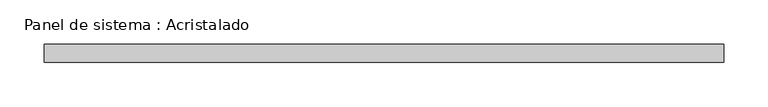
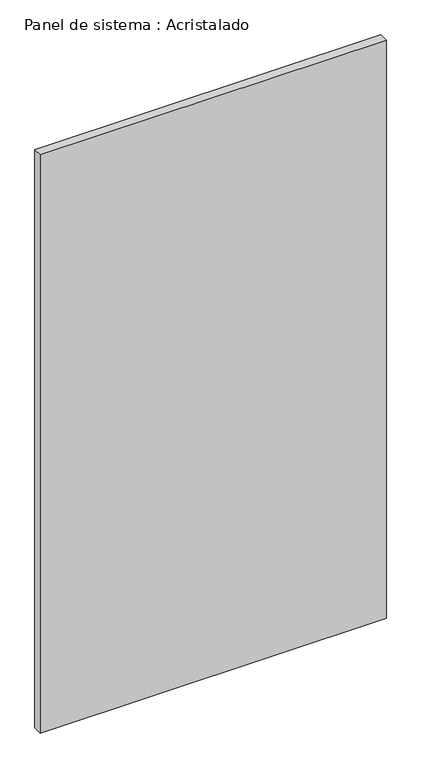
"""IFC4 building model written with IfcOpenShell, lengths in millimetres: plate geometry, Panel de sistema : Acristalado."""

import ifcopenshell
import ifcopenshell.guid

model = None  # the IFC model being written
_history = None  # IfcOwnerHistory: only IFC2X3 demands one
_inside = {}  # id of a spatial element -> (the spatial element, [elements in it])
_under = {}  # id of a project, library or spatial element -> (it, [spatial elements below it])
_declared = {}  # id of a project -> (the project, [libraries it declares])
_typed = {}  # id of a type object -> (the type object, [elements of that type])
_made_of = {}  # id of a material, layer set ... -> (it, [elements and type objects made of it])


def new_model(schema):
    """Start an empty IFC model of exactly this schema.

    Asked for "IFC4X3", IfcOpenShell would pick the latest addendum, in which some entities
    have other attributes; the version numbers below select the first issue.
    IFC2X3 requires an IfcOwnerHistory on every rooted entity: one is made here for all.
    """
    global model, _history
    if schema == "IFC4X3":
        model = ifcopenshell.file(schema_version=(4, 3, 0, 0))
    else:
        model = ifcopenshell.file(schema=schema)
    _inside.clear()
    _under.clear()
    _declared.clear()
    _typed.clear()
    _made_of.clear()
    _history = None
    if model.schema == "IFC2X3":
        org = make("IfcOrganization", Name="unknown")
        user = make(
            "IfcPersonAndOrganization",
            ThePerson=make("IfcPerson", FamilyName="unknown"),
            TheOrganization=org,
        )
        app = make(
            "IfcApplication",
            ApplicationDeveloper=org,
            Version="unknown",
            ApplicationFullName="unknown",
            ApplicationIdentifier="unknown",
        )
        _history = make(
            "IfcOwnerHistory",
            OwningUser=user,
            OwningApplication=app,
            ChangeAction="ADDED",
            CreationDate=0,
        )
    return model


def make(cls, **values):
    """One entity of the class cls with the attributes given. An attribute that is None is left unset."""
    return model.create_entity(
        cls, **{name: value for name, value in values.items() if value is not None}
    )


def rooted(cls, **values):
    """An entity with a GlobalId (a new one), such as an element, a storey or a relation."""
    return make(cls, GlobalId=ifcopenshell.guid.new(), OwnerHistory=_history, **values)


def si_unit(unit_type, name, prefix=None):
    """IfcSIUnit, for example si_unit("LENGTHUNIT", "METRE", prefix="MILLI")."""
    return make("IfcSIUnit", UnitType=unit_type, Prefix=prefix, Name=name)


def assignment(units):
    """IfcUnitAssignment: the units of a project."""
    return None if units is None else make("IfcUnitAssignment", Units=units)


def point(xyz):
    """IfcCartesianPoint."""
    return None if xyz is None else make("IfcCartesianPoint", Coordinates=xyz)


def direction(xyz):
    """IfcDirection."""
    return None if xyz is None else make("IfcDirection", DirectionRatios=xyz)


def frame(location, z_axis=None, x_axis=None):
    """IfcAxis2Placement3D, a coordinate frame: its origin and axes. An axis left out is left unset."""
    return make(
        "IfcAxis2Placement3D",
        Location=point(location),
        Axis=direction(z_axis),
        RefDirection=direction(x_axis),
    )


def origin():
    """The frame at (0, 0, 0) with its axes left unset."""
    return frame((0.0, 0.0, 0.0))


def origin_with_axes():
    """The frame at (0, 0, 0) with the z axis (0, 0, 1) and the x axis (1, 0, 0) written out."""
    return frame((0.0, 0.0, 0.0), z_axis=(0.0, 0.0, 1.0), x_axis=(1.0, 0.0, 0.0))


def place(relative_to, where):
    """IfcLocalPlacement: puts the frame where relative to a parent placement (None: the world)."""
    return make(
        "IfcLocalPlacement", PlacementRelTo=relative_to, RelativePlacement=where
    )


def context(
    kind, dimensions, precision=None, world=None, true_north=None, identifier=None
):
    """IfcGeometricRepresentationContext, for example the 3D "Model" context."""
    return make(
        "IfcGeometricRepresentationContext",
        ContextIdentifier=identifier,
        ContextType=kind,
        CoordinateSpaceDimension=dimensions,
        Precision=precision,
        WorldCoordinateSystem=world,
        TrueNorth=true_north,
    )


def project(units=None, contexts=None):
    """IfcProject with its units and contexts."""
    return rooted(
        "IfcProject",
        Name="project",
        RepresentationContexts=contexts,
        UnitsInContext=assignment(units),
    )


def spatial(cls, under=None, at=None, **own):
    """A site, building, storey or space (cls), placed at a placement, below another one or the project."""
    s = rooted(cls, ObjectPlacement=at, **own)
    if under is not None:
        _under.setdefault(under.id(), (under, []))[1].append(s)
    return s


def polyline(points):
    """IfcPolyline through the points."""
    return make("IfcPolyline", Points=[point(p) for p in points])


def outline(outer, holes=None, kind="AREA"):
    """IfcArbitraryClosedProfileDef: a profile drawn as a closed curve; with holes, ...WithVoids."""
    if holes is None:
        return make("IfcArbitraryClosedProfileDef", ProfileType=kind, OuterCurve=outer)
    return make(
        "IfcArbitraryProfileDefWithVoids",
        ProfileType=kind,
        OuterCurve=outer,
        InnerCurves=holes,
    )


def extrude(swept, where, along, depth):
    """IfcExtrudedAreaSolid: the profile swept, set in the frame where, extruded along a direction by depth."""
    return make(
        "IfcExtrudedAreaSolid",
        SweptArea=swept,
        Position=where,
        ExtrudedDirection=direction(along),
        Depth=depth,
    )


def shape(context_of_items, identifier, shape_type, items):
    """IfcShapeRepresentation: the items that make up one representation, for example the "Body"."""
    return make(
        "IfcShapeRepresentation",
        ContextOfItems=context_of_items,
        RepresentationIdentifier=identifier,
        RepresentationType=shape_type,
        Items=items,
    )


def source(mapping_origin, context_of_items, identifier, shape_type, items):
    """IfcRepresentationMap: a shape defined once, which mapped items show again and again."""
    return make(
        "IfcRepresentationMap",
        MappingOrigin=mapping_origin,
        MappedRepresentation=shape(context_of_items, identifier, shape_type, items),
    )


def transform(
    local_origin,
    x_axis=None,
    y_axis=None,
    z_axis=None,
    scale=None,
    scale2=None,
    scale3=None,
    uniform=True,
):
    """IfcCartesianTransformationOperator3D, or its non-uniform kind. x_axis, y_axis, z_axis: its Axis1, 2, 3."""
    if uniform:
        return make(
            "IfcCartesianTransformationOperator3D",
            Axis1=direction(x_axis),
            Axis2=direction(y_axis),
            LocalOrigin=point(local_origin),
            Scale=scale,
            Axis3=direction(z_axis),
        )
    return make(
        "IfcCartesianTransformationOperator3DnonUniform",
        Axis1=direction(x_axis),
        Axis2=direction(y_axis),
        LocalOrigin=point(local_origin),
        Scale=scale,
        Axis3=direction(z_axis),
        Scale2=scale2,
        Scale3=scale3,
    )


def mapped(mapping_source, mapping_target):
    """IfcMappedItem: shows the shape of a source again, moved by a transform."""
    return make(
        "IfcMappedItem", MappingSource=mapping_source, MappingTarget=mapping_target
    )


def made_of(thing, what):
    """Note that an element or type object is made of a material, layer set ...; save() writes the relation."""
    if what is not None:
        _made_of.setdefault(what.id(), (what, []))[1].append(thing)
    return thing


def element(
    cls,
    number,
    at=None,
    inside=None,
    cuts=None,
    type_object=None,
    material=None,
    context=None,
    identifier="Body",
    shape_type=None,
    held_by="IfcProductDefinitionShape",
    body=None,
    shapes=None,
    **own,
):
    """One element of the class cls, such as IfcWall. Its Tag is "e" and its number.

    at: its placement. inside: the storey or other place that contains it. cuts: it is an
    opening in that element (IfcRelVoidsElement). A single representation is given by context,
    identifier, shape_type and body (its items); several are given by shapes. held_by: the class
    of the entity that holds the representations. save() writes the other relations.
    """
    e = rooted(cls, Tag="e%d" % number, ObjectPlacement=at, **own)
    if body is not None:
        shapes = [shape(context, identifier, shape_type, body)]
    if shapes is not None:
        e.Representation = make(held_by, Representations=shapes)
    if inside is not None:
        _inside.setdefault(inside.id(), (inside, []))[1].append(e)
    if cuts is not None:
        rooted(
            "IfcRelVoidsElement", RelatingBuildingElement=cuts, RelatedOpeningElement=e
        )
    if type_object is not None:
        _typed.setdefault(type_object.id(), (type_object, []))[1].append(e)
    return made_of(e, material)


def aggregate(whole, parts):
    """IfcRelAggregates: a whole, such as a stair, and the parts it consists of."""
    return rooted("IfcRelAggregates", RelatingObject=whole, RelatedObjects=parts)


def save(model, path):
    """Write the relations noted so far, then the file.

    IfcRelAggregates (storeys below a building ...), IfcRelContainedInSpatialStructure (elements
    in a storey), IfcRelDefinesByType, IfcRelAssociatesMaterial and IfcRelDeclares: one each for
    every whole, place, type object, material and project.
    """
    for whole, parts in _under.values():
        aggregate(whole, parts)
    for where, things in _inside.values():
        rooted(
            "IfcRelContainedInSpatialStructure",
            RelatedElements=things,
            RelatingStructure=where,
        )
    for kind, things in _typed.values():
        rooted("IfcRelDefinesByType", RelatedObjects=things, RelatingType=kind)
    for what, things in _made_of.values():
        rooted("IfcRelAssociatesMaterial", RelatedObjects=things, RelatingMaterial=what)
    for by, libraries in _declared.values():
        rooted("IfcRelDeclares", RelatingContext=by, RelatedDefinitions=libraries)
    model.write(path)


def panel_de_sistema_acristalado_cbf2d5a5(model_context):
    return source(origin(), model_context, "Body", "SweptSolid", [
        extrude(outline(polyline([(382.5, -10.0), (-382.5, -10.0), (-382.5, 10.0), (382.5, 10.0), (382.5, -10.0)])), origin_with_axes(), (0.0, 0.0, 1.0), 1350.0),
    ])


if __name__ == "__main__":
    model = new_model("IFC4")
    model_context = context("Model", 3, world=origin())
    ifc_project = project(units=[si_unit("LENGTHUNIT", "METRE", prefix="MILLI")], contexts=[model_context])
    site = spatial("IfcSite", under=ifc_project)
    building = spatial("IfcBuilding", under=site)
    placement = place(None, origin())
    panel_de_sistema_acristalado_shape = panel_de_sistema_acristalado_cbf2d5a5(model_context)
    element("IfcPlate", 1, ObjectType="Panel de sistema : Acristalado", at=placement, inside=building, context=model_context, shape_type="MappedRepresentation", body=[
        mapped(panel_de_sistema_acristalado_shape, transform((0.0, 0.0, 0.0), x_axis=(1.0, 0.0, 0.0), y_axis=(0.0, 1.0, 0.0), z_axis=(0.0, 0.0, 1.0))),
    ])
    save(model, "model.ifc")
